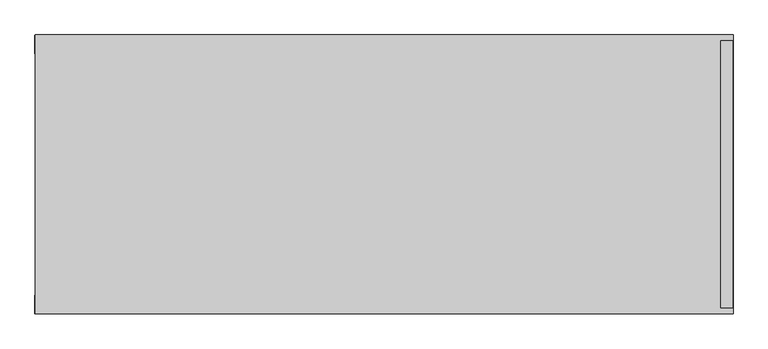
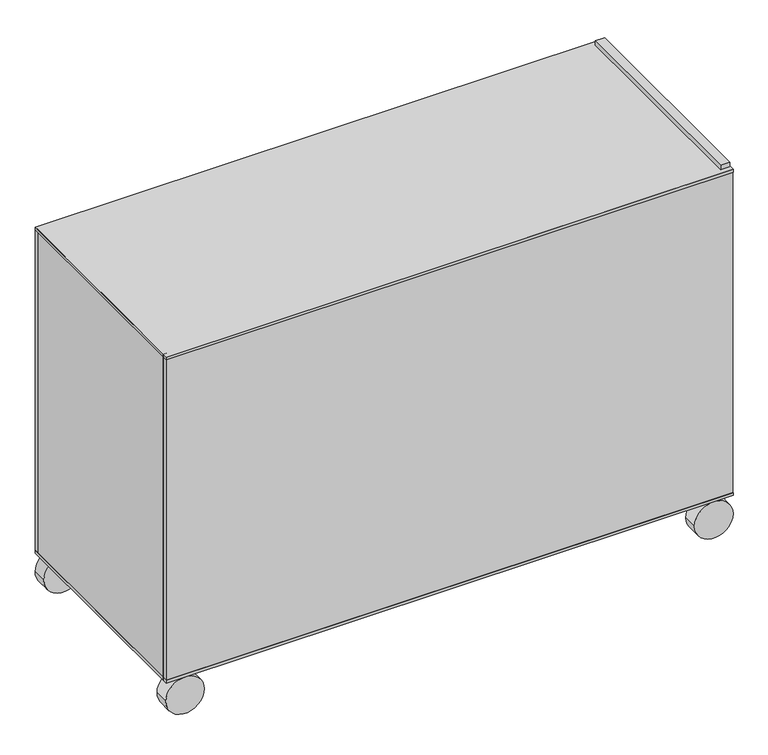
"""IFC4 building model written with IfcOpenShell, lengths in millimetres: proxy geometry."""

from ifc_helpers import new_model, si_unit, point, frame, frame_2d, origin, place, context, project, spatial, polyline, circle_curve, trimmed, segment, composite_curve, outline, extrude, source, transform, mapped, element, save


def generic_models_88d26c0c(model_context):
    return source(origin(), model_context, "Body", "SweptSolid", [
        extrude(outline(polyline([(1525.1076424, 609.6), (1525.1076424, 0.0), (0.0, 0.0), (0.0, 609.6), (1525.1076424, 609.6)])), frame((0.0, 0.0, 1020.7800777), z_axis=(0.0, 0.0, 1.0), x_axis=(1.0, 0.0, 0.0)), (0.0, 0.0, 1.0), 7.9199223),
        extrude(outline(polyline([(1525.1076424, 609.6), (1525.1076424, 0.0), (0.0, 0.0), (0.0, 609.6), (1525.1076424, 609.6)])), frame((0.0, 0.0, 101.6), z_axis=(0.0, 0.0, 1.0), x_axis=(1.0, 0.0, 0.0)), (0.0, 0.0, 1.0), 7.9199223),
        extrude(outline(composite_curve([segment(trimmed(circle_curve(frame_2d((49.6923576, 50.8)), 51.9076424), [point((49.6923576, -1.1076424))], [point((49.6923576, 102.7076424))], False, "CARTESIAN"), True, "CONTINUOUS"), segment(trimmed(circle_curve(frame_2d((49.6923576, 50.8)), 51.9076424), [point((49.6923576, 102.7076424))], [point((49.6923576, -1.1076424))], False, "CARTESIAN"), True, "CONTINUOUS")], self_intersect=False)), frame((0.0, 568.325, 0.0), z_axis=(0.0, 1.0, 0.0), x_axis=(0.0, 0.0, 1.0)), (0.0, 0.0, 1.0), 40.4012859),
        extrude(outline(composite_curve([segment(trimmed(circle_curve(frame_2d((49.6923576, 1473.2)), 51.9076424), [point((49.6923576, 1421.2923576))], [point((49.6923576, 1525.1076424))], False, "CARTESIAN"), True, "CONTINUOUS"), segment(trimmed(circle_curve(frame_2d((49.6923576, 1473.2)), 51.9076424), [point((49.6923576, 1525.1076424))], [point((49.6923576, 1421.2923576))], False, "CARTESIAN"), True, "CONTINUOUS")], self_intersect=False)), frame((0.0, 568.325, 0.0), z_axis=(0.0, 1.0, 0.0), x_axis=(0.0, 0.0, 1.0)), (0.0, 0.0, 1.0), 40.4012859),
        extrude(outline(composite_curve([segment(trimmed(circle_curve(frame_2d((49.6923576, 50.8)), 51.9076424), [point((49.6923576, -1.1076424))], [point((49.6923576, 102.7076424))], False, "CARTESIAN"), True, "CONTINUOUS"), segment(trimmed(circle_curve(frame_2d((49.6923576, 50.8)), 51.9076424), [point((49.6923576, 102.7076424))], [point((49.6923576, -1.1076424))], False, "CARTESIAN"), True, "CONTINUOUS")], self_intersect=False)), frame((0.0, 0.0, 0.0), z_axis=(0.0, 1.0, 0.0), x_axis=(0.0, 0.0, 1.0)), (0.0, 0.0, 1.0), 40.4012859),
        extrude(outline(composite_curve([segment(trimmed(circle_curve(frame_2d((49.6923576, 1473.2)), 51.9076424), [point((49.6923576, 1421.2923576))], [point((49.6923576, 1525.1076424))], False, "CARTESIAN"), True, "CONTINUOUS"), segment(trimmed(circle_curve(frame_2d((49.6923576, 1473.2)), 51.9076424), [point((49.6923576, 1525.1076424))], [point((49.6923576, 1421.2923576))], False, "CARTESIAN"), True, "CONTINUOUS")], self_intersect=False)), frame((0.0, 0.0, 0.0), z_axis=(0.0, 1.0, 0.0), x_axis=(0.0, 0.0, 1.0)), (0.0, 0.0, 1.0), 40.4012859),
        extrude(outline(polyline([(1524.0, 571.5), (1524.0, 63.5), (1517.65, 63.5), (1517.65, 571.5), (1524.0, 571.5)])), frame((0.0, 0.0, 127.0), z_axis=(0.0, 0.0, 1.0), x_axis=(1.0, 0.0, 0.0)), (0.0, 0.0, 1.0), 889.0),
        extrude(outline(polyline([(0.0, 12.7), (0.0, 596.9), (25.4, 596.9), (25.4, 12.7), (0.0, 12.7)])), frame((0.0, 0.0, 101.6), z_axis=(0.0, 0.0, 1.0), x_axis=(1.0, 0.0, 0.0)), (0.0, 0.0, 1.0), 927.1),
        extrude(outline(polyline([(12.7, 101.6), (12.7, 1041.4), (596.9, 1041.4), (596.9, 101.6), (12.7, 101.6)]), holes=[polyline([(63.5, 1016.0), (63.5, 127.0), (571.5, 127.0), (571.5, 1016.0), (63.5, 1016.0)])]), frame((1498.6, 0.0, 0.0), z_axis=(1.0, 0.0, 0.0), x_axis=(0.0, 1.0, 0.0)), (0.0, 0.0, 1.0), 25.4),
        extrude(outline(polyline([(1524.0, 0.0), (0.0, 0.0), (0.0, 12.7), (1524.0, 12.7), (1524.0, 0.0)])), frame((0.0, 0.0, 101.6), z_axis=(0.0, 0.0, 1.0), x_axis=(1.0, 0.0, 0.0)), (0.0, 0.0, 1.0), 927.1),
        extrude(outline(polyline([(1524.0, 596.9), (0.0, 596.9), (0.0, 609.6), (1524.0, 609.6), (1524.0, 596.9)])), frame((0.0, 0.0, 101.6), z_axis=(0.0, 0.0, 1.0), x_axis=(1.0, 0.0, 0.0)), (0.0, 0.0, 1.0), 927.1),
    ])


if __name__ == "__main__":
    model = new_model("IFC4")
    model_context = context("Model", 3, world=origin())
    ifc_project = project(units=[si_unit("LENGTHUNIT", "METRE", prefix="MILLI")], contexts=[model_context])
    site = spatial("IfcSite", under=ifc_project)
    building = spatial("IfcBuilding", under=site)
    placement = place(None, origin())
    generic_models_shape = generic_models_88d26c0c(model_context)
    element("IfcBuildingElementProxy", 1, Name="Generic Models", at=placement, inside=building, context=model_context, shape_type="MappedRepresentation", body=[
        mapped(generic_models_shape, transform((0.0, 0.0, 0.0), x_axis=(1.0, 0.0, 0.0), y_axis=(0.0, 1.0, 0.0), z_axis=(0.0, 0.0, 1.0))),
    ])
    save(model, "model.ifc")
